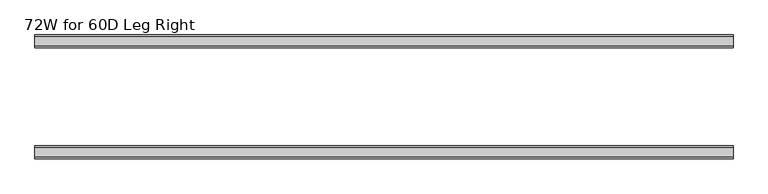
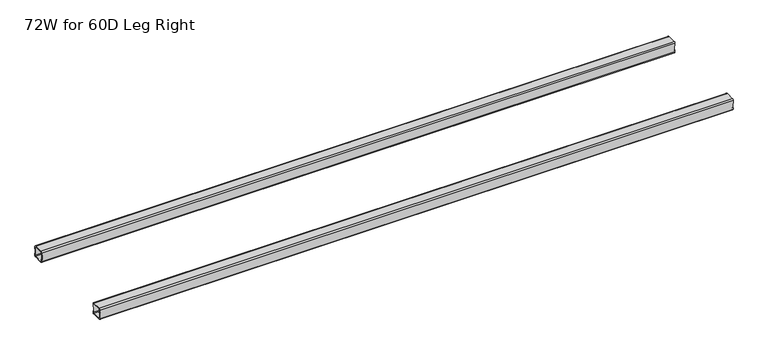
"""IFC4 building model written with IfcOpenShell, lengths in millimetres: furniture geometry, 72W for 60D Leg Right."""

from ifc_helpers import new_model, si_unit, frame, origin, place, context, project, spatial, polyline, circle_curve, source, transform, mapped, element, save
from ifc_brep_helpers import plane_surface, cylinder_surface, revolved_surface, advanced_brep


def furniture_72w_for_60d_leg_right_7a298c5f(model_context):
    return source(origin(), model_context, "Body", "AdvancedBrep", [
        advanced_brep(
        [(1399.1077, -195.0, 656.526), (1399.1077, -191.0, 652.526), (1399.1077, -159.0, 652.526), (1399.1077, -155.0, 656.526), (1399.1077, -155.0, 664.026), (1399.1077, -157.0, 664.026), (1399.1077, -157.0, 656.526), (1399.1077, -159.0, 654.526), (1399.1077, -191.0, 654.526), (1399.1077, -193.0, 656.526), (1399.1077, -193.0, 664.026), (1399.1077, -195.0, 664.026), (1399.1077, -159.0, 692.15), (1399.1077, -191.0, 692.15), (1399.1077, -195.0, 688.15), (1399.1077, -195.0, 680.65), (1399.1077, -193.0, 680.65), (1399.1077, -193.0, 688.15), (1399.1077, -191.0, 690.15), (1399.1077, -159.0, 690.15), (1399.1077, -157.0, 688.15), (1399.1077, -157.0, 680.65), (1399.1077, -155.0, 680.65), (1399.1077, -155.0, 688.15), (-800.8625, -155.0, 656.526), (-800.8625, -159.0, 652.526), (-800.8625, -191.0, 652.526), (-800.8625, -195.0, 656.526), (-800.8625, -195.0, 664.026), (-800.8625, -193.0, 664.026), (-800.8625, -193.0, 656.526), (-800.8625, -191.0, 654.526), (-800.8625, -159.0, 654.526), (-800.8625, -157.0, 656.526), (-800.8625, -157.0, 664.026), (-800.8625, -155.0, 664.026), (-800.8625, -159.0, 692.15), (-800.8625, -155.0, 688.15), (-800.8625, -155.0, 680.65), (-800.8625, -157.0, 680.65), (-800.8625, -157.0, 688.15), (-800.8625, -159.0, 690.15), (-800.8625, -191.0, 690.15), (-800.8625, -193.0, 688.15), (-800.8625, -193.0, 680.65), (-800.8625, -195.0, 680.65), (-800.8625, -195.0, 688.15), (-800.8625, -191.0, 692.15), (1397.7427, -155.0, 680.65), (1397.1077, -155.0, 680.015), (1397.1077, -155.0, 664.661), (1397.7427, -155.0, 664.026), (-799.4975, -155.0, 664.026), (-798.8625, -155.0, 664.661), (-798.8625, -155.0, 680.015), (-799.4975, -155.0, 680.65), (1397.7427, -195.0, 664.026), (1397.1077, -195.0, 664.661), (1397.1077, -195.0, 680.015), (1397.7427, -195.0, 680.65), (-799.4975, -195.0, 680.65), (-798.8625, -195.0, 680.015), (-798.8625, -195.0, 664.661), (-799.4975, -195.0, 664.026), (1397.7427, -193.0, 680.65), (1397.1077, -193.0, 680.015), (1397.1077, -193.0, 664.661), (1397.7427, -193.0, 664.026), (-799.4975, -193.0, 664.026), (-798.8625, -193.0, 664.661), (-798.8625, -193.0, 680.015), (-799.4975, -193.0, 680.65), (1397.7427, -157.0, 664.026), (1397.1077, -157.0, 664.661), (1397.1077, -157.0, 680.015), (1397.7427, -157.0, 680.65), (-799.4975, -157.0, 680.65), (-798.8625, -157.0, 680.015), (-798.8625, -157.0, 664.661), (-799.4975, -157.0, 664.026)],
        [
            (0, 1, circle_curve(frame((1399.1077, -191.0, 656.526), z_axis=(1.0, 0.0, 0.0), x_axis=(0.0, -1.0, 0.0)), 4.0)),
            (1, 2),
            (2, 3, circle_curve(frame((1399.1077, -159.0, 656.526), z_axis=(1.0, 0.0, 0.0), x_axis=(0.0, -1.0, 0.0)), 4.0)),
            (3, 4),
            (4, 5),
            (5, 6),
            (6, 7, circle_curve(frame((1399.1077, -159.0, 656.526), z_axis=(-1.0, 0.0, 0.0), x_axis=(0.0, -1.0, 0.0)), 2.0)),
            (7, 8),
            (8, 9, circle_curve(frame((1399.1077, -191.0, 656.526), z_axis=(-1.0, 0.0, 0.0), x_axis=(0.0, -1.0, 0.0)), 2.0)),
            (9, 10),
            (10, 11),
            (11, 0),
            (12, 13),
            (13, 14, circle_curve(frame((1399.1077, -191.0, 688.15), z_axis=(1.0, 0.0, 0.0), x_axis=(0.0, -1.0, 0.0)), 4.0)),
            (14, 15),
            (15, 16),
            (16, 17),
            (17, 18, circle_curve(frame((1399.1077, -191.0, 688.15), z_axis=(-1.0, 0.0, 0.0), x_axis=(0.0, -1.0, 0.0)), 2.0)),
            (18, 19),
            (19, 20, circle_curve(frame((1399.1077, -159.0, 688.15), z_axis=(-1.0, 0.0, 0.0), x_axis=(0.0, -1.0, 0.0)), 2.0)),
            (20, 21),
            (21, 22),
            (22, 23),
            (23, 12, circle_curve(frame((1399.1077, -159.0, 688.15), z_axis=(1.0, 0.0, 0.0), x_axis=(0.0, -1.0, 0.0)), 4.0)),
            (24, 25, circle_curve(frame((-800.8625, -159.0, 656.526), z_axis=(-1.0, 0.0, 0.0), x_axis=(0.0, -1.0, 0.0)), 4.0)),
            (25, 26),
            (26, 27, circle_curve(frame((-800.8625, -191.0, 656.526), z_axis=(-1.0, 0.0, 0.0), x_axis=(0.0, -1.0, 0.0)), 4.0)),
            (27, 28),
            (28, 29),
            (29, 30),
            (30, 31, circle_curve(frame((-800.8625, -191.0, 656.526), z_axis=(1.0, 0.0, 0.0), x_axis=(0.0, -1.0, 0.0)), 2.0)),
            (31, 32),
            (32, 33, circle_curve(frame((-800.8625, -159.0, 656.526), z_axis=(1.0, 0.0, 0.0), x_axis=(0.0, -1.0, 0.0)), 2.0)),
            (33, 34),
            (34, 35),
            (35, 24),
            (36, 37, circle_curve(frame((-800.8625, -159.0, 688.15), z_axis=(-1.0, 0.0, 0.0), x_axis=(0.0, -1.0, 0.0)), 4.0)),
            (37, 38),
            (38, 39),
            (39, 40),
            (40, 41, circle_curve(frame((-800.8625, -159.0, 688.15), z_axis=(1.0, 0.0, 0.0), x_axis=(0.0, -1.0, 0.0)), 2.0)),
            (41, 42),
            (42, 43, circle_curve(frame((-800.8625, -191.0, 688.15), z_axis=(1.0, 0.0, 0.0), x_axis=(0.0, -1.0, 0.0)), 2.0)),
            (43, 44),
            (44, 45),
            (45, 46),
            (46, 47, circle_curve(frame((-800.8625, -191.0, 688.15), z_axis=(-1.0, 0.0, 0.0), x_axis=(0.0, -1.0, 0.0)), 4.0)),
            (47, 36),
            (23, 37),
            (36, 12),
            (22, 48),
            (48, 49, circle_curve(frame((1397.7427, -155.0, 680.015), z_axis=(0.0, -1.0, 0.0), x_axis=(-1.0, 0.0, 0.0)), 0.635)),
            (49, 50),
            (50, 51, circle_curve(frame((1397.7427, -155.0, 664.661), z_axis=(0.0, -1.0, 0.0), x_axis=(-1.0, 0.0, 0.0)), 0.635)),
            (51, 4),
            (3, 24),
            (35, 52),
            (52, 53, circle_curve(frame((-799.4975, -155.0, 664.661), z_axis=(0.0, -1.0, 0.0), x_axis=(1.0, 0.0, 0.0)), 0.635)),
            (53, 54),
            (54, 55, circle_curve(frame((-799.4975, -155.0, 680.015), z_axis=(0.0, -1.0, 0.0), x_axis=(1.0, 0.0, 0.0)), 0.635)),
            (55, 38),
            (2, 25),
            (1, 26),
            (0, 27),
            (11, 56),
            (56, 57, circle_curve(frame((1397.7427, -195.0, 664.661), z_axis=(0.0, 1.0, 0.0), x_axis=(-1.0, 0.0, 0.0)), 0.635)),
            (57, 58),
            (58, 59, circle_curve(frame((1397.7427, -195.0, 680.015), z_axis=(0.0, 1.0, 0.0), x_axis=(-1.0, 0.0, 0.0)), 0.635)),
            (59, 15),
            (14, 46),
            (45, 60),
            (60, 61, circle_curve(frame((-799.4975, -195.0, 680.015), z_axis=(0.0, 1.0, 0.0), x_axis=(1.0, 0.0, 0.0)), 0.635)),
            (61, 62),
            (62, 63, circle_curve(frame((-799.4975, -195.0, 664.661), z_axis=(0.0, 1.0, 0.0), x_axis=(1.0, 0.0, 0.0)), 0.635)),
            (63, 28),
            (13, 47),
            (17, 43),
            (42, 18),
            (16, 64),
            (64, 65, circle_curve(frame((1397.7427, -193.0, 680.015), z_axis=(0.0, -1.0, 0.0), x_axis=(-1.0, 0.0, 0.0)), 0.635)),
            (65, 66),
            (66, 67, circle_curve(frame((1397.7427, -193.0, 664.661), z_axis=(0.0, -1.0, 0.0), x_axis=(-1.0, 0.0, 0.0)), 0.635)),
            (67, 10),
            (9, 30),
            (29, 68),
            (68, 69, circle_curve(frame((-799.4975, -193.0, 664.661), z_axis=(0.0, -1.0, 0.0), x_axis=(1.0, 0.0, 0.0)), 0.635)),
            (69, 70),
            (70, 71, circle_curve(frame((-799.4975, -193.0, 680.015), z_axis=(0.0, -1.0, 0.0), x_axis=(1.0, 0.0, 0.0)), 0.635)),
            (71, 44),
            (8, 31),
            (7, 32),
            (6, 33),
            (5, 72),
            (72, 73, circle_curve(frame((1397.7427, -157.0, 664.661), z_axis=(0.0, 1.0, 0.0), x_axis=(-1.0, 0.0, 0.0)), 0.635)),
            (73, 74),
            (74, 75, circle_curve(frame((1397.7427, -157.0, 680.015), z_axis=(0.0, 1.0, 0.0), x_axis=(-1.0, 0.0, 0.0)), 0.635)),
            (75, 21),
            (20, 40),
            (39, 76),
            (76, 77, circle_curve(frame((-799.4975, -157.0, 680.015), z_axis=(0.0, 1.0, 0.0), x_axis=(1.0, 0.0, 0.0)), 0.635)),
            (77, 78),
            (78, 79, circle_curve(frame((-799.4975, -157.0, 664.661), z_axis=(0.0, 1.0, 0.0), x_axis=(1.0, 0.0, 0.0)), 0.635)),
            (79, 34),
            (19, 41),
            (63, 68),
            (79, 52),
            (62, 69),
            (78, 53),
            (61, 70),
            (77, 54),
            (60, 71),
            (76, 55),
            (67, 56),
            (51, 72),
            (66, 57),
            (50, 73),
            (65, 58),
            (49, 74),
            (64, 59),
            (48, 75),
        ],
        [
            plane_surface(frame((1399.1077, -191.0, 692.15), z_axis=(1.0, 0.0, 0.0), x_axis=(0.0, -1.0, 0.0))),
            plane_surface(frame((-800.8625, -191.0, 692.15), z_axis=(-1.0, 0.0, 0.0), x_axis=(0.0, 1.0, 0.0))),
            cylinder_surface(frame((-800.8625, -159.0, 688.15), z_axis=(1.0, 0.0, 0.0), x_axis=(0.0, -1.0, 0.0)), 4.0),
            plane_surface(frame((1399.1077, -155.0, 656.526), z_axis=(0.0, 1.0, -2.77038700604848e-12), x_axis=(-1.0, 0.0, 0.0))),
            cylinder_surface(frame((-800.8625, -159.0, 656.526), z_axis=(1.0, 0.0, 0.0), x_axis=(0.0, -1.0, 0.0)), 4.0),
            plane_surface(frame((1399.1077, -191.0, 652.526), z_axis=(0.0, 0.0, -1.0), x_axis=(-1.0, 0.0, 0.0))),
            cylinder_surface(frame((-800.8625, -191.0, 656.526), z_axis=(1.0, 0.0, 0.0), x_axis=(0.0, -1.0, 0.0)), 4.0),
            plane_surface(frame((1399.1077, -195.0, 688.15), z_axis=(0.0, -1.0, 0.0), x_axis=(-1.0, 0.0, 0.0))),
            cylinder_surface(frame((-800.8625, -191.0, 688.15), z_axis=(1.0, 0.0, 0.0), x_axis=(0.0, -1.0, 0.0)), 4.0),
            plane_surface(frame((1399.1077, -159.0, 692.15), z_axis=(0.0, 0.0, 1.0), x_axis=(-1.0, 0.0, 0.0))),
            revolved_surface(polyline([(-800.8625, -193.0, 688.15), (1399.1076999999998, -193.0, 688.15)]), (-673.8625, -191.0, 688.15), (-1.0, 0.0, 0.0)),
            plane_surface(frame((1399.1077, -193.0, 656.526), z_axis=(0.0, 1.0, 0.0), x_axis=(-1.0, 0.0, 0.0))),
            revolved_surface(polyline([(-800.8625, -193.0, 656.526), (1399.1076999999998, -193.0, 656.526)]), (-673.8625, -191.0, 656.526), (-1.0, 0.0, 0.0)),
            plane_surface(frame((1399.1077, -159.0, 654.526), z_axis=(0.0, 0.0, 1.0), x_axis=(-1.0, 0.0, 0.0))),
            revolved_surface(polyline([(-800.8625, -161.0, 656.526), (1399.1076999999998, -161.0, 656.526)]), (-673.8625, -159.0, 656.526), (-1.0, 0.0, 0.0)),
            plane_surface(frame((1399.1077, -157.0, 688.15), z_axis=(0.0, -1.0, 0.0), x_axis=(-1.0, 0.0, 0.0))),
            revolved_surface(polyline([(-800.8625, -161.0, 688.15), (1399.1076999999998, -161.0, 688.15)]), (-673.8625, -159.0, 688.15), (-1.0, 0.0, 0.0)),
            plane_surface(frame((1399.1077, -191.0, 690.15), z_axis=(0.0, 2.732547521581362e-12, -1.0), x_axis=(-1.0, 0.0, 0.0))),
            plane_surface(frame((-799.4975, -155.0, 664.026), z_axis=(0.0, 0.0, 1.0), x_axis=(0.0, -1.0, 0.0))),
            revolved_surface(polyline([(-798.8625, -193.0, 664.661), (-798.8625, -195.0, 664.661)]), (-799.4975, -195.0, 664.661), (0.0, 1.0, 0.0)),
            revolved_surface(polyline([(-798.8625, -155.0, 664.661), (-798.8625, -157.0, 664.661)]), (-799.4975, -195.0, 664.661), (0.0, 1.0, 0.0)),
            plane_surface(frame((-798.8625, -155.0, 680.015), z_axis=(-1.0, 0.0, -5.66858444144488e-12), x_axis=(0.0, -1.0, 0.0))),
            revolved_surface(polyline([(-798.8625, -193.0, 680.015), (-798.8625, -195.0, 680.015)]), (-799.4975, -195.0, 680.015), (0.0, 1.0, 0.0)),
            revolved_surface(polyline([(-798.8625, -155.0, 680.015), (-798.8625, -157.0, 680.015)]), (-799.4975, -195.0, 680.015), (0.0, 1.0, 0.0)),
            plane_surface(frame((-800.8625, -155.0, 680.65), z_axis=(7.764514303605956e-11, 0.0, -1.0), x_axis=(0.0, -1.0, 0.0))),
            plane_surface(frame((1399.1077, -155.0, 664.026), z_axis=(0.0, 0.0, 1.0), x_axis=(0.0, -1.0, 0.0))),
            revolved_surface(polyline([(1397.1077, -193.0, 664.661), (1397.1077, -195.0, 664.661)]), (1397.7427, -195.0, 664.661), (0.0, 1.0, 0.0)),
            revolved_surface(polyline([(1397.1077, -155.0, 664.661), (1397.1077, -157.0, 664.661)]), (1397.7427, -195.0, 664.661), (0.0, 1.0, 0.0)),
            plane_surface(frame((1397.1077, -155.0, 664.661), z_axis=(1.0, 0.0, 8.375046997805344e-12), x_axis=(0.0, -1.0, 0.0))),
            revolved_surface(polyline([(1397.1077, -193.0, 680.015), (1397.1077, -195.0, 680.015)]), (1397.7427, -195.0, 680.015), (0.0, 1.0, 0.0)),
            revolved_surface(polyline([(1397.1077, -155.0, 680.015), (1397.1077, -157.0, 680.015)]), (1397.7427, -195.0, 680.015), (0.0, 1.0, 0.0)),
            plane_surface(frame((1397.7427, -155.0, 680.65), z_axis=(-9.321383713569826e-12, 0.0, -1.0), x_axis=(0.0, -1.0, 0.0))),
        ],
        [
            (0, [[1, 2, 3, 4, 5, 6, 7, 8, 9, 10, 11, 12]]),
            (0, [[13, 14, 15, 16, 17, 18, 19, 20, 21, 22, 23, 24]]),
            (1, [[25, 26, 27, 28, 29, 30, 31, 32, 33, 34, 35, 36]]),
            (1, [[37, 38, 39, 40, 41, 42, 43, 44, 45, 46, 47, 48]]),
            (2, [[-24, 49, -37, 50]]),
            (3, [[-49, -23, 51, 52, 53, 54, 55, -4, 56, -36, 57, 58, 59, 60, 61, -38]]),
            (4, [[-3, 62, -25, -56]]),
            (5, [[-2, 63, -26, -62]]),
            (6, [[-1, 64, -27, -63]]),
            (7, [[-64, -12, 65, 66, 67, 68, 69, -15, 70, -46, 71, 72, 73, 74, 75, -28]]),
            (8, [[-14, 76, -47, -70]]),
            (9, [[-13, -50, -48, -76]]),
            (10, [[-18, 77, -43, 78]]),
            (11, [[-77, -17, 79, 80, 81, 82, 83, -10, 84, -30, 85, 86, 87, 88, 89, -44]]),
            (12, [[-9, 90, -31, -84]]),
            (13, [[-8, 91, -32, -90]]),
            (14, [[-7, 92, -33, -91]]),
            (15, [[-92, -6, 93, 94, 95, 96, 97, -21, 98, -40, 99, 100, 101, 102, 103, -34]]),
            (16, [[-20, 104, -41, -98]]),
            (17, [[-19, -78, -42, -104]]),
            (18, [[105, -85, -29, -75]]),
            (18, [[106, -57, -35, -103]]),
            (19, [[-105, -74, 107, -86]]),
            (20, [[-106, -102, 108, -58]]),
            (21, [[-107, -73, 109, -87]]),
            (21, [[-108, -101, 110, -59]]),
            (22, [[-109, -72, 111, -88]]),
            (23, [[-110, -100, 112, -60]]),
            (24, [[-111, -71, -45, -89]]),
            (24, [[-112, -99, -39, -61]]),
            (25, [[113, -65, -11, -83]]),
            (25, [[114, -93, -5, -55]]),
            (26, [[-113, -82, 115, -66]]),
            (27, [[-114, -54, 116, -94]]),
            (28, [[-115, -81, 117, -67]]),
            (28, [[-116, -53, 118, -95]]),
            (29, [[-117, -80, 119, -68]]),
            (30, [[-118, -52, 120, -96]]),
            (31, [[-119, -79, -16, -69]]),
            (31, [[-120, -51, -22, -97]]),
        ],
    ),
        advanced_brep(
        [(1399.1077, -541.012, 695.0), (1399.1077, -545.012, 691.0), (1399.1077, -545.012, 680.65), (1399.1077, -543.012, 680.65), (1399.1077, -543.012, 691.0), (1399.1077, -541.012, 693.0), (1399.1077, -509.012, 693.0), (1399.1077, -507.012, 691.0), (1399.1077, -507.012, 680.65), (1399.1077, -505.012, 680.65), (1399.1077, -505.012, 691.0), (1399.1077, -509.012, 695.0), (1399.1077, -545.012, 659.376), (1399.1077, -541.012, 655.376), (1399.1077, -509.012, 655.376), (1399.1077, -505.012, 659.376), (1399.1077, -505.012, 664.026), (1399.1077, -507.012, 664.026), (1399.1077, -507.012, 659.376), (1399.1077, -509.012, 657.376), (1399.1077, -541.012, 657.376), (1399.1077, -543.012, 659.376), (1399.1077, -543.012, 664.026), (1399.1077, -545.012, 664.026), (-800.8625, -541.012, 695.0), (-800.8625, -509.012, 695.0), (-800.8625, -505.012, 691.0), (-800.8625, -505.012, 680.65), (-800.8625, -507.012, 680.65), (-800.8625, -507.012, 691.0), (-800.8625, -509.012, 693.0), (-800.8625, -541.012, 693.0), (-800.8625, -543.012, 691.0), (-800.8625, -543.012, 680.65), (-800.8625, -545.012, 680.65), (-800.8625, -545.012, 691.0), (-800.8625, -505.012, 659.376), (-800.8625, -509.012, 655.376), (-800.8625, -541.012, 655.376), (-800.8625, -545.012, 659.376), (-800.8625, -545.012, 664.026), (-800.8625, -543.012, 664.026), (-800.8625, -543.012, 659.376), (-800.8625, -541.012, 657.376), (-800.8625, -509.012, 657.376), (-800.8625, -507.012, 659.376), (-800.8625, -507.012, 664.026), (-800.8625, -505.012, 664.026), (-799.4975, -545.012, 680.65), (-798.8625, -545.012, 680.015), (-798.8625, -545.012, 664.661), (-799.4975, -545.012, 664.026), (1397.7427, -545.012, 664.026), (1397.1077, -545.012, 664.661), (1397.1077, -545.012, 680.015), (1397.7427, -545.012, 680.65), (-799.4975, -505.012, 664.026), (-798.8625, -505.012, 664.661), (-798.8625, -505.012, 680.015), (-799.4975, -505.012, 680.65), (1397.7427, -505.012, 680.65), (1397.1077, -505.012, 680.015), (1397.1077, -505.012, 664.661), (1397.7427, -505.012, 664.026), (-799.4975, -507.012, 680.65), (-798.8625, -507.012, 680.015), (-798.8625, -507.012, 664.661), (-799.4975, -507.012, 664.026), (1397.7427, -507.012, 664.026), (1397.1077, -507.012, 664.661), (1397.1077, -507.012, 680.015), (1397.7427, -507.012, 680.65), (-799.4975, -543.012, 664.026), (-798.8625, -543.012, 664.661), (-798.8625, -543.012, 680.015), (-799.4975, -543.012, 680.65), (1397.7427, -543.012, 680.65), (1397.1077, -543.012, 680.015), (1397.1077, -543.012, 664.661), (1397.7427, -543.012, 664.026)],
        [
            (0, 1, circle_curve(frame((1399.1077, -541.012, 691.0), z_axis=(1.0, 0.0, 0.0), x_axis=(0.0, 1.0, 0.0)), 4.0)),
            (1, 2),
            (2, 3),
            (3, 4),
            (4, 5, circle_curve(frame((1399.1077, -541.012, 691.0), z_axis=(-1.0, 0.0, 0.0), x_axis=(0.0, 1.0, 0.0)), 2.0)),
            (5, 6),
            (6, 7, circle_curve(frame((1399.1077, -509.012, 691.0), z_axis=(-1.0, 0.0, 0.0), x_axis=(0.0, 1.0, 0.0)), 2.0)),
            (7, 8),
            (8, 9),
            (9, 10),
            (10, 11, circle_curve(frame((1399.1077, -509.012, 691.0), z_axis=(1.0, 0.0, 0.0), x_axis=(0.0, 1.0, 0.0)), 4.0)),
            (11, 0),
            (12, 13, circle_curve(frame((1399.1077, -541.012, 659.376), z_axis=(1.0, 0.0, 0.0), x_axis=(0.0, 1.0, 0.0)), 4.0)),
            (13, 14),
            (14, 15, circle_curve(frame((1399.1077, -509.012, 659.376), z_axis=(1.0, 0.0, 0.0), x_axis=(0.0, 1.0, 0.0)), 4.0)),
            (15, 16),
            (16, 17),
            (17, 18),
            (18, 19, circle_curve(frame((1399.1077, -509.012, 659.376), z_axis=(-1.0, 0.0, 0.0), x_axis=(0.0, 1.0, 0.0)), 2.0)),
            (19, 20),
            (20, 21, circle_curve(frame((1399.1077, -541.012, 659.376), z_axis=(-1.0, 0.0, 0.0), x_axis=(0.0, 1.0, 0.0)), 2.0)),
            (21, 22),
            (22, 23),
            (23, 12),
            (24, 25),
            (25, 26, circle_curve(frame((-800.8625, -509.012, 691.0), z_axis=(-1.0, 0.0, 0.0), x_axis=(0.0, 1.0, 0.0)), 4.0)),
            (26, 27),
            (27, 28),
            (28, 29),
            (29, 30, circle_curve(frame((-800.8625, -509.012, 691.0), z_axis=(1.0, 0.0, 0.0), x_axis=(0.0, 1.0, 0.0)), 2.0)),
            (30, 31),
            (31, 32, circle_curve(frame((-800.8625, -541.012, 691.0), z_axis=(1.0, 0.0, 0.0), x_axis=(0.0, 1.0, 0.0)), 2.0)),
            (32, 33),
            (33, 34),
            (34, 35),
            (35, 24, circle_curve(frame((-800.8625, -541.012, 691.0), z_axis=(-1.0, 0.0, 0.0), x_axis=(0.0, 1.0, 0.0)), 4.0)),
            (36, 37, circle_curve(frame((-800.8625, -509.012, 659.376), z_axis=(-1.0, 0.0, 0.0), x_axis=(0.0, 1.0, 0.0)), 4.0)),
            (37, 38),
            (38, 39, circle_curve(frame((-800.8625, -541.012, 659.376), z_axis=(-1.0, 0.0, 0.0), x_axis=(0.0, 1.0, 0.0)), 4.0)),
            (39, 40),
            (40, 41),
            (41, 42),
            (42, 43, circle_curve(frame((-800.8625, -541.012, 659.376), z_axis=(1.0, 0.0, 0.0), x_axis=(0.0, 1.0, 0.0)), 2.0)),
            (43, 44),
            (44, 45, circle_curve(frame((-800.8625, -509.012, 659.376), z_axis=(1.0, 0.0, 0.0), x_axis=(0.0, 1.0, 0.0)), 2.0)),
            (45, 46),
            (46, 47),
            (47, 36),
            (0, 24),
            (35, 1),
            (34, 48),
            (48, 49, circle_curve(frame((-799.4975, -545.012, 680.015), z_axis=(0.0, 1.0, 0.0), x_axis=(1.0, 0.0, 0.0)), 0.635)),
            (49, 50),
            (50, 51, circle_curve(frame((-799.4975, -545.012, 664.661), z_axis=(0.0, 1.0, 0.0), x_axis=(1.0, 0.0, 0.0)), 0.635)),
            (51, 40),
            (39, 12),
            (23, 52),
            (52, 53, circle_curve(frame((1397.7427, -545.012, 664.661), z_axis=(0.0, 1.0, 0.0), x_axis=(-1.0, 0.0, 0.0)), 0.635)),
            (53, 54),
            (54, 55, circle_curve(frame((1397.7427, -545.012, 680.015), z_axis=(0.0, 1.0, 0.0), x_axis=(-1.0, 0.0, 0.0)), 0.635)),
            (55, 2),
            (38, 13),
            (37, 14),
            (36, 15),
            (47, 56),
            (56, 57, circle_curve(frame((-799.4975, -505.012, 664.661), z_axis=(0.0, -1.0, 0.0), x_axis=(1.0, 0.0, 0.0)), 0.635)),
            (57, 58),
            (58, 59, circle_curve(frame((-799.4975, -505.012, 680.015), z_axis=(0.0, -1.0, 0.0), x_axis=(1.0, 0.0, 0.0)), 0.635)),
            (59, 27),
            (26, 10),
            (9, 60),
            (60, 61, circle_curve(frame((1397.7427, -505.012, 680.015), z_axis=(0.0, -1.0, 0.0), x_axis=(-1.0, 0.0, 0.0)), 0.635)),
            (61, 62),
            (62, 63, circle_curve(frame((1397.7427, -505.012, 664.661), z_axis=(0.0, -1.0, 0.0), x_axis=(-1.0, 0.0, 0.0)), 0.635)),
            (63, 16),
            (25, 11),
            (6, 30),
            (29, 7),
            (28, 64),
            (64, 65, circle_curve(frame((-799.4975, -507.012, 680.015), z_axis=(0.0, 1.0, 0.0), x_axis=(1.0, 0.0, 0.0)), 0.635)),
            (65, 66),
            (66, 67, circle_curve(frame((-799.4975, -507.012, 664.661), z_axis=(0.0, 1.0, 0.0), x_axis=(1.0, 0.0, 0.0)), 0.635)),
            (67, 46),
            (45, 18),
            (17, 68),
            (68, 69, circle_curve(frame((1397.7427, -507.012, 664.661), z_axis=(0.0, 1.0, 0.0), x_axis=(-1.0, 0.0, 0.0)), 0.635)),
            (69, 70),
            (70, 71, circle_curve(frame((1397.7427, -507.012, 680.015), z_axis=(0.0, 1.0, 0.0), x_axis=(-1.0, 0.0, 0.0)), 0.635)),
            (71, 8),
            (44, 19),
            (43, 20),
            (42, 21),
            (41, 72),
            (72, 73, circle_curve(frame((-799.4975, -543.012, 664.661), z_axis=(0.0, -1.0, 0.0), x_axis=(1.0, 0.0, 0.0)), 0.635)),
            (73, 74),
            (74, 75, circle_curve(frame((-799.4975, -543.012, 680.015), z_axis=(0.0, -1.0, 0.0), x_axis=(1.0, 0.0, 0.0)), 0.635)),
            (75, 33),
            (32, 4),
            (3, 76),
            (76, 77, circle_curve(frame((1397.7427, -543.012, 680.015), z_axis=(0.0, -1.0, 0.0), x_axis=(-1.0, 0.0, 0.0)), 0.635)),
            (77, 78),
            (78, 79, circle_curve(frame((1397.7427, -543.012, 664.661), z_axis=(0.0, -1.0, 0.0), x_axis=(-1.0, 0.0, 0.0)), 0.635)),
            (79, 22),
            (31, 5),
            (67, 56),
            (51, 72),
            (66, 57),
            (50, 73),
            (65, 58),
            (49, 74),
            (64, 59),
            (48, 75),
            (63, 68),
            (79, 52),
            (62, 69),
            (78, 53),
            (61, 70),
            (77, 54),
            (60, 71),
            (76, 55),
        ],
        [
            plane_surface(frame((1399.1077, -537.012, 691.0), z_axis=(1.0, 0.0, 0.0), x_axis=(0.0, 0.0, 1.0))),
            plane_surface(frame((-800.8625, -537.012, 691.0), z_axis=(-1.0, 0.0, 0.0), x_axis=(0.0, 0.0, -1.0))),
            cylinder_surface(frame((-800.8625, -541.012, 691.0), z_axis=(1.0, 0.0, 0.0), x_axis=(0.0, 1.0, 0.0)), 4.0),
            plane_surface(frame((1399.1077, -545.012, 691.0), z_axis=(0.0, -1.0, 0.0), x_axis=(-1.0, 0.0, 0.0))),
            cylinder_surface(frame((-800.8625, -541.012, 659.376), z_axis=(1.0, 0.0, 0.0), x_axis=(0.0, 1.0, 0.0)), 4.0),
            plane_surface(frame((1399.1077, -541.012, 655.376), z_axis=(0.0, 0.0, -1.0), x_axis=(-1.0, 0.0, 0.0))),
            cylinder_surface(frame((-800.8625, -509.012, 659.376), z_axis=(1.0, 0.0, 0.0), x_axis=(0.0, 1.0, 0.0)), 4.0),
            plane_surface(frame((1399.1077, -505.012, 659.376), z_axis=(0.0, 1.0, 0.0), x_axis=(-1.0, 0.0, 0.0))),
            cylinder_surface(frame((-800.8625, -509.012, 691.0), z_axis=(1.0, 0.0, 0.0), x_axis=(0.0, 1.0, 0.0)), 4.0),
            plane_surface(frame((1399.1077, -509.012, 695.0), z_axis=(0.0, 0.0, 1.0), x_axis=(-1.0, 0.0, 0.0))),
            revolved_surface(polyline([(-800.8625, -507.012, 691.0), (1399.1076999999998, -507.012, 691.0)]), (-673.8625, -509.012, 691.0), (-1.0, 0.0, 0.0)),
            plane_surface(frame((1399.1077, -507.012, 691.0), z_axis=(0.0, -1.0, 0.0), x_axis=(-1.0, 0.0, 0.0))),
            revolved_surface(polyline([(-800.8625, -507.012, 659.376), (1399.1076999999998, -507.012, 659.376)]), (-673.8625, -509.012, 659.376), (-1.0, 0.0, 0.0)),
            plane_surface(frame((1399.1077, -509.012, 657.376), z_axis=(0.0, 0.0, 1.0), x_axis=(-1.0, 0.0, 0.0))),
            revolved_surface(polyline([(-800.8625, -539.012, 659.376), (1399.1076999999998, -539.012, 659.376)]), (-673.8625, -541.012, 659.376), (-1.0, 0.0, 0.0)),
            plane_surface(frame((1399.1077, -543.012, 659.376), z_axis=(0.0, 1.0, 0.0), x_axis=(-1.0, 0.0, 0.0))),
            revolved_surface(polyline([(-800.8625, -539.012, 691.0), (1399.1076999999998, -539.012, 691.0)]), (-673.8625, -541.012, 691.0), (-1.0, 0.0, 0.0)),
            plane_surface(frame((1399.1077, -541.012, 693.0), z_axis=(0.0, 0.0, -1.0), x_axis=(-1.0, 0.0, 0.0))),
            plane_surface(frame((-800.8625, -545.012, 664.026), z_axis=(0.0, 0.0, 1.0), x_axis=(0.0, 1.0, 0.0))),
            revolved_surface(polyline([(-798.8625, -507.012, 664.661), (-798.8625, -505.012, 664.661)]), (-799.4975, -505.012, 664.661), (0.0, -1.0, 0.0)),
            revolved_surface(polyline([(-798.8625, -545.012, 664.661), (-798.8625, -543.012, 664.661)]), (-799.4975, -505.012, 664.661), (0.0, -1.0, 0.0)),
            plane_surface(frame((-798.8625, -545.012, 664.661), z_axis=(-1.0, 0.0, 7.69622739874723e-12), x_axis=(0.0, 1.0, 0.0))),
            revolved_surface(polyline([(-798.8625, -507.012, 680.015), (-798.8625, -505.012, 680.015)]), (-799.4975, -505.012, 680.015), (0.0, -1.0, 0.0)),
            revolved_surface(polyline([(-798.8625, -545.012, 680.015), (-798.8625, -543.012, 680.015)]), (-799.4975, -505.012, 680.015), (0.0, -1.0, 0.0)),
            plane_surface(frame((-799.4975, -545.012, 680.65), z_axis=(1.9991393147252246e-10, 0.0, -1.0), x_axis=(0.0, 1.0, 0.0))),
            plane_surface(frame((1397.7427, -545.012, 664.026), z_axis=(0.0, 0.0, 1.0), x_axis=(0.0, 1.0, 0.0))),
            revolved_surface(polyline([(1397.1077, -507.012, 664.661), (1397.1077, -505.012, 664.661)]), (1397.7427, -505.012, 664.661), (0.0, -1.0, 0.0)),
            revolved_surface(polyline([(1397.1077, -545.012, 664.661), (1397.1077, -543.012, 664.661)]), (1397.7427, -505.012, 664.661), (0.0, -1.0, 0.0)),
            plane_surface(frame((1397.1077, -545.012, 680.015), z_axis=(1.0, 0.0, 1.7807994668797888e-12), x_axis=(0.0, 1.0, 0.0))),
            revolved_surface(polyline([(1397.1077, -507.012, 680.015), (1397.1077, -505.012, 680.015)]), (1397.7427, -505.012, 680.015), (0.0, -1.0, 0.0)),
            revolved_surface(polyline([(1397.1077, -545.012, 680.015), (1397.1077, -543.012, 680.015)]), (1397.7427, -505.012, 680.015), (0.0, -1.0, 0.0)),
            plane_surface(frame((1399.1077, -545.012, 680.65), z_axis=(-7.407525141966349e-11, 0.0, -1.0), x_axis=(0.0, 1.0, 0.0))),
        ],
        [
            (0, [[1, 2, 3, 4, 5, 6, 7, 8, 9, 10, 11, 12]]),
            (0, [[13, 14, 15, 16, 17, 18, 19, 20, 21, 22, 23, 24]]),
            (1, [[25, 26, 27, 28, 29, 30, 31, 32, 33, 34, 35, 36]]),
            (1, [[37, 38, 39, 40, 41, 42, 43, 44, 45, 46, 47, 48]]),
            (2, [[-1, 49, -36, 50]]),
            (3, [[-50, -35, 51, 52, 53, 54, 55, -40, 56, -24, 57, 58, 59, 60, 61, -2]]),
            (4, [[-13, -56, -39, 62]]),
            (5, [[-14, -62, -38, 63]]),
            (6, [[-15, -63, -37, 64]]),
            (7, [[-64, -48, 65, 66, 67, 68, 69, -27, 70, -10, 71, 72, 73, 74, 75, -16]]),
            (8, [[-11, -70, -26, 76]]),
            (9, [[-12, -76, -25, -49]]),
            (10, [[-7, 77, -30, 78]]),
            (11, [[-78, -29, 79, 80, 81, 82, 83, -46, 84, -18, 85, 86, 87, 88, 89, -8]]),
            (12, [[-19, -84, -45, 90]]),
            (13, [[-20, -90, -44, 91]]),
            (14, [[-21, -91, -43, 92]]),
            (15, [[-92, -42, 93, 94, 95, 96, 97, -33, 98, -4, 99, 100, 101, 102, 103, -22]]),
            (16, [[-5, -98, -32, 104]]),
            (17, [[-6, -104, -31, -77]]),
            (18, [[105, -65, -47, -83]]),
            (18, [[106, -93, -41, -55]]),
            (19, [[-105, -82, 107, -66]]),
            (20, [[-106, -54, 108, -94]]),
            (21, [[-107, -81, 109, -67]]),
            (21, [[-108, -53, 110, -95]]),
            (22, [[-109, -80, 111, -68]]),
            (23, [[-110, -52, 112, -96]]),
            (24, [[-111, -79, -28, -69]]),
            (24, [[-112, -51, -34, -97]]),
            (25, [[113, -85, -17, -75]]),
            (25, [[114, -57, -23, -103]]),
            (26, [[-113, -74, 115, -86]]),
            (27, [[-114, -102, 116, -58]]),
            (28, [[-115, -73, 117, -87]]),
            (28, [[-116, -101, 118, -59]]),
            (29, [[-117, -72, 119, -88]]),
            (30, [[-118, -100, 120, -60]]),
            (31, [[-119, -71, -9, -89]]),
            (31, [[-120, -99, -3, -61]]),
        ],
    ),
    ])


if __name__ == "__main__":
    model = new_model("IFC4")
    model_context = context("Model", 3, world=origin())
    ifc_project = project(units=[si_unit("LENGTHUNIT", "METRE", prefix="MILLI")], contexts=[model_context])
    site = spatial("IfcSite", under=ifc_project)
    building = spatial("IfcBuilding", under=site)
    placement = place(None, origin())
    furniture_72w_for_60d_leg_right_shape = furniture_72w_for_60d_leg_right_7a298c5f(model_context)
    element("IfcFurniture", 1, ObjectType="72W for 60D Leg Right", at=placement, inside=building, context=model_context, shape_type="MappedRepresentation", body=[
        mapped(furniture_72w_for_60d_leg_right_shape, transform((0.0, 0.0, 0.0), x_axis=(1.0, 0.0, 0.0), y_axis=(0.0, 1.0, 0.0), z_axis=(0.0, 0.0, 1.0))),
    ])
    save(model, "model.ifc")
